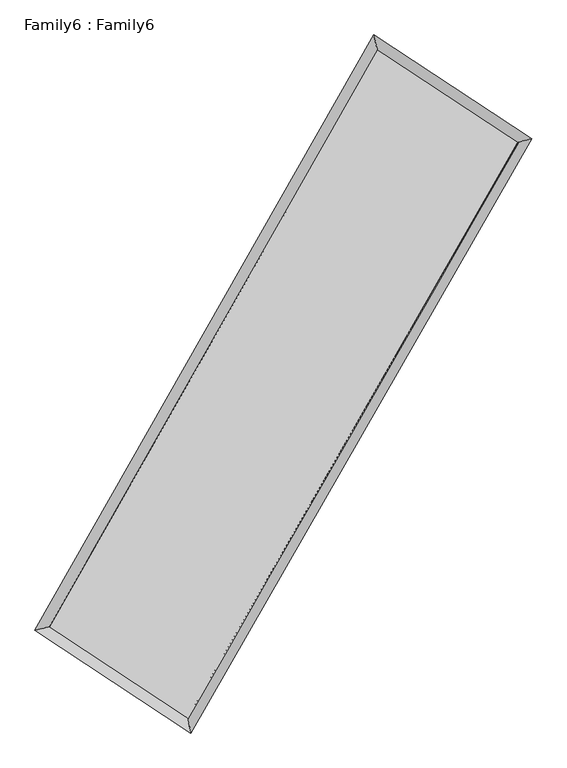
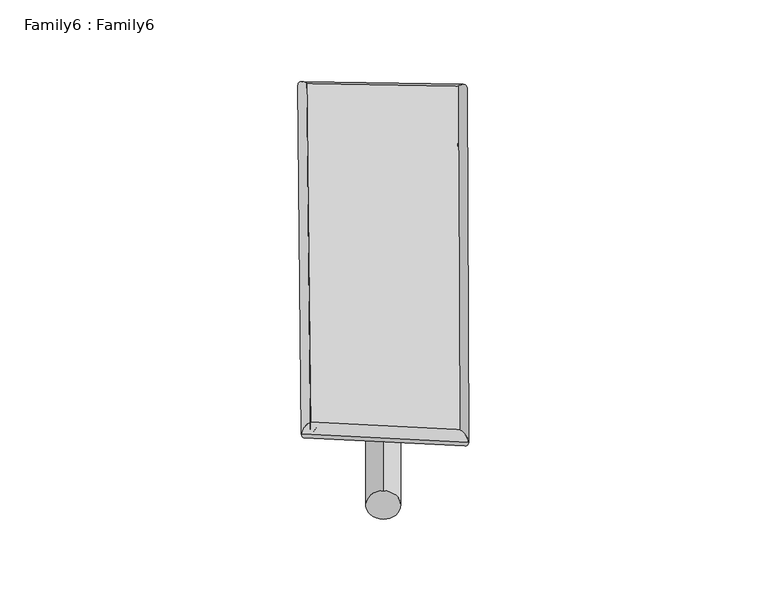
"""IFC4 building model written with IfcOpenShell, lengths in millimetres: plate geometry, Family6 : Family6."""

import ifcopenshell
import ifcopenshell.guid

model = None  # the IFC model being written
_history = None  # IfcOwnerHistory: only IFC2X3 demands one
_inside = {}  # id of a spatial element -> (the spatial element, [elements in it])
_under = {}  # id of a project, library or spatial element -> (it, [spatial elements below it])
_declared = {}  # id of a project -> (the project, [libraries it declares])
_typed = {}  # id of a type object -> (the type object, [elements of that type])
_made_of = {}  # id of a material, layer set ... -> (it, [elements and type objects made of it])


def new_model(schema):
    """Start an empty IFC model of exactly this schema.

    Asked for "IFC4X3", IfcOpenShell would pick the latest addendum, in which some entities
    have other attributes; the version numbers below select the first issue.
    IFC2X3 requires an IfcOwnerHistory on every rooted entity: one is made here for all.
    """
    global model, _history
    if schema == "IFC4X3":
        model = ifcopenshell.file(schema_version=(4, 3, 0, 0))
    else:
        model = ifcopenshell.file(schema=schema)
    _inside.clear()
    _under.clear()
    _declared.clear()
    _typed.clear()
    _made_of.clear()
    _history = None
    if model.schema == "IFC2X3":
        org = make("IfcOrganization", Name="unknown")
        user = make(
            "IfcPersonAndOrganization",
            ThePerson=make("IfcPerson", FamilyName="unknown"),
            TheOrganization=org,
        )
        app = make(
            "IfcApplication",
            ApplicationDeveloper=org,
            Version="unknown",
            ApplicationFullName="unknown",
            ApplicationIdentifier="unknown",
        )
        _history = make(
            "IfcOwnerHistory",
            OwningUser=user,
            OwningApplication=app,
            ChangeAction="ADDED",
            CreationDate=0,
        )
    return model


def make(cls, **values):
    """One entity of the class cls with the attributes given. An attribute that is None is left unset."""
    return model.create_entity(
        cls, **{name: value for name, value in values.items() if value is not None}
    )


def rooted(cls, **values):
    """An entity with a GlobalId (a new one), such as an element, a storey or a relation."""
    return make(cls, GlobalId=ifcopenshell.guid.new(), OwnerHistory=_history, **values)


def si_unit(unit_type, name, prefix=None):
    """IfcSIUnit, for example si_unit("LENGTHUNIT", "METRE", prefix="MILLI")."""
    return make("IfcSIUnit", UnitType=unit_type, Prefix=prefix, Name=name)


def assignment(units):
    """IfcUnitAssignment: the units of a project."""
    return None if units is None else make("IfcUnitAssignment", Units=units)


def point(xyz):
    """IfcCartesianPoint."""
    return None if xyz is None else make("IfcCartesianPoint", Coordinates=xyz)


def direction(xyz):
    """IfcDirection."""
    return None if xyz is None else make("IfcDirection", DirectionRatios=xyz)


def frame(location, z_axis=None, x_axis=None):
    """IfcAxis2Placement3D, a coordinate frame: its origin and axes. An axis left out is left unset."""
    return make(
        "IfcAxis2Placement3D",
        Location=point(location),
        Axis=direction(z_axis),
        RefDirection=direction(x_axis),
    )


def frame_2d(location, x_axis=None):
    """IfcAxis2Placement2D, a coordinate frame in the plane: its origin and x axis."""
    return make(
        "IfcAxis2Placement2D", Location=point(location), RefDirection=direction(x_axis)
    )


def origin():
    """The frame at (0, 0, 0) with its axes left unset."""
    return frame((0.0, 0.0, 0.0))


def origin_2d():
    """The frame at (0, 0) in the plane with its x axis left unset."""
    return frame_2d((0.0, 0.0))


def place(relative_to, where):
    """IfcLocalPlacement: puts the frame where relative to a parent placement (None: the world)."""
    return make(
        "IfcLocalPlacement", PlacementRelTo=relative_to, RelativePlacement=where
    )


def context(
    kind, dimensions, precision=None, world=None, true_north=None, identifier=None
):
    """IfcGeometricRepresentationContext, for example the 3D "Model" context."""
    return make(
        "IfcGeometricRepresentationContext",
        ContextIdentifier=identifier,
        ContextType=kind,
        CoordinateSpaceDimension=dimensions,
        Precision=precision,
        WorldCoordinateSystem=world,
        TrueNorth=true_north,
    )


def project(units=None, contexts=None):
    """IfcProject with its units and contexts."""
    return rooted(
        "IfcProject",
        Name="project",
        RepresentationContexts=contexts,
        UnitsInContext=assignment(units),
    )


def spatial(cls, under=None, at=None, **own):
    """A site, building, storey or space (cls), placed at a placement, below another one or the project."""
    s = rooted(cls, ObjectPlacement=at, **own)
    if under is not None:
        _under.setdefault(under.id(), (under, []))[1].append(s)
    return s


def circle_curve(where, radius):
    """IfcCircle in the frame where."""
    return make("IfcCircle", Position=where, Radius=radius)


def ellipse_curve(where, semi_axis1, semi_axis2):
    """IfcEllipse in the frame where."""
    return make(
        "IfcEllipse", Position=where, SemiAxis1=semi_axis1, SemiAxis2=semi_axis2
    )


def trimmed(basis, trim1, trim2, sense, master):
    """IfcTrimmedCurve: the piece of a basis curve between two trims."""
    return make(
        "IfcTrimmedCurve",
        BasisCurve=basis,
        Trim1=trim1,
        Trim2=trim2,
        SenseAgreement=sense,
        MasterRepresentation=master,
    )


def segment(curve, same_sense, transition):
    """IfcCompositeCurveSegment."""
    return make(
        "IfcCompositeCurveSegment",
        Transition=transition,
        SameSense=same_sense,
        ParentCurve=curve,
    )


def composite_curve(segments, self_intersect=None):
    """IfcCompositeCurve: segments joined end to end."""
    return make("IfcCompositeCurve", Segments=segments, SelfIntersect=self_intersect)


def outline(outer, holes=None, kind="AREA"):
    """IfcArbitraryClosedProfileDef: a profile drawn as a closed curve; with holes, ...WithVoids."""
    if holes is None:
        return make("IfcArbitraryClosedProfileDef", ProfileType=kind, OuterCurve=outer)
    return make(
        "IfcArbitraryProfileDefWithVoids",
        ProfileType=kind,
        OuterCurve=outer,
        InnerCurves=holes,
    )


def extrude(swept, where, along, depth):
    """IfcExtrudedAreaSolid: the profile swept, set in the frame where, extruded along a direction by depth."""
    return make(
        "IfcExtrudedAreaSolid",
        SweptArea=swept,
        Position=where,
        ExtrudedDirection=direction(along),
        Depth=depth,
    )


def shape(context_of_items, identifier, shape_type, items):
    """IfcShapeRepresentation: the items that make up one representation, for example the "Body"."""
    return make(
        "IfcShapeRepresentation",
        ContextOfItems=context_of_items,
        RepresentationIdentifier=identifier,
        RepresentationType=shape_type,
        Items=items,
    )


def source(mapping_origin, context_of_items, identifier, shape_type, items):
    """IfcRepresentationMap: a shape defined once, which mapped items show again and again."""
    return make(
        "IfcRepresentationMap",
        MappingOrigin=mapping_origin,
        MappedRepresentation=shape(context_of_items, identifier, shape_type, items),
    )


def transform(
    local_origin,
    x_axis=None,
    y_axis=None,
    z_axis=None,
    scale=None,
    scale2=None,
    scale3=None,
    uniform=True,
):
    """IfcCartesianTransformationOperator3D, or its non-uniform kind. x_axis, y_axis, z_axis: its Axis1, 2, 3."""
    if uniform:
        return make(
            "IfcCartesianTransformationOperator3D",
            Axis1=direction(x_axis),
            Axis2=direction(y_axis),
            LocalOrigin=point(local_origin),
            Scale=scale,
            Axis3=direction(z_axis),
        )
    return make(
        "IfcCartesianTransformationOperator3DnonUniform",
        Axis1=direction(x_axis),
        Axis2=direction(y_axis),
        LocalOrigin=point(local_origin),
        Scale=scale,
        Axis3=direction(z_axis),
        Scale2=scale2,
        Scale3=scale3,
    )


def mapped(mapping_source, mapping_target):
    """IfcMappedItem: shows the shape of a source again, moved by a transform."""
    return make(
        "IfcMappedItem", MappingSource=mapping_source, MappingTarget=mapping_target
    )


def made_of(thing, what):
    """Note that an element or type object is made of a material, layer set ...; save() writes the relation."""
    if what is not None:
        _made_of.setdefault(what.id(), (what, []))[1].append(thing)
    return thing


def element(
    cls,
    number,
    at=None,
    inside=None,
    cuts=None,
    type_object=None,
    material=None,
    context=None,
    identifier="Body",
    shape_type=None,
    held_by="IfcProductDefinitionShape",
    body=None,
    shapes=None,
    **own,
):
    """One element of the class cls, such as IfcWall. Its Tag is "e" and its number.

    at: its placement. inside: the storey or other place that contains it. cuts: it is an
    opening in that element (IfcRelVoidsElement). A single representation is given by context,
    identifier, shape_type and body (its items); several are given by shapes. held_by: the class
    of the entity that holds the representations. save() writes the other relations.
    """
    e = rooted(cls, Tag="e%d" % number, ObjectPlacement=at, **own)
    if body is not None:
        shapes = [shape(context, identifier, shape_type, body)]
    if shapes is not None:
        e.Representation = make(held_by, Representations=shapes)
    if inside is not None:
        _inside.setdefault(inside.id(), (inside, []))[1].append(e)
    if cuts is not None:
        rooted(
            "IfcRelVoidsElement", RelatingBuildingElement=cuts, RelatedOpeningElement=e
        )
    if type_object is not None:
        _typed.setdefault(type_object.id(), (type_object, []))[1].append(e)
    return made_of(e, material)


def aggregate(whole, parts):
    """IfcRelAggregates: a whole, such as a stair, and the parts it consists of."""
    return rooted("IfcRelAggregates", RelatingObject=whole, RelatedObjects=parts)


def save(model, path):
    """Write the relations noted so far, then the file.

    IfcRelAggregates (storeys below a building ...), IfcRelContainedInSpatialStructure (elements
    in a storey), IfcRelDefinesByType, IfcRelAssociatesMaterial and IfcRelDeclares: one each for
    every whole, place, type object, material and project.
    """
    for whole, parts in _under.values():
        aggregate(whole, parts)
    for where, things in _inside.values():
        rooted(
            "IfcRelContainedInSpatialStructure",
            RelatedElements=things,
            RelatingStructure=where,
        )
    for kind, things in _typed.values():
        rooted("IfcRelDefinesByType", RelatedObjects=things, RelatingType=kind)
    for what, things in _made_of.values():
        rooted("IfcRelAssociatesMaterial", RelatedObjects=things, RelatingMaterial=what)
    for by, libraries in _declared.values():
        rooted("IfcRelDeclares", RelatingContext=by, RelatedDefinitions=libraries)
    model.write(path)


def plane_surface(at):
    """IfcPlane: the flat surface through the origin of the frame at, square to its z axis."""
    return make("IfcPlane", Position=at)


def cylinder_surface(at, radius):
    """IfcCylindricalSurface: all points at the distance radius from the z axis of the frame at."""
    return make("IfcCylindricalSurface", Position=at, Radius=radius)


def spline_surface(u_degree, v_degree, points, u_multiplicities, v_multiplicities, u_knots, v_knots, weights=None):
    """IfcBSplineSurfaceWithKnots; with weights, IfcRationalBSplineSurfaceWithKnots. points: one row for each step in u."""
    own = dict(
        UDegree=u_degree,
        VDegree=v_degree,
        ControlPointsList=[[point(p) for p in row] for row in points],
        SurfaceForm="UNSPECIFIED",
        UClosed=False,
        VClosed=False,
        SelfIntersect=False,
        UMultiplicities=u_multiplicities,
        VMultiplicities=v_multiplicities,
        UKnots=u_knots,
        VKnots=v_knots,
        KnotSpec="UNSPECIFIED",
    )
    if weights is None:
        return make("IfcBSplineSurfaceWithKnots", **own)
    return make("IfcRationalBSplineSurfaceWithKnots", WeightsData=weights, **own)


def advanced_brep(points, edges, surfaces, faces):
    """IfcAdvancedBrep: a solid bounded by faces that lie on surfaces and meet in shared edges.

    An edge is (start, end): straight between two places in points (the first is 0);
    or (start, end, curve); or (start, end, curve, False) where it runs against its curve.
    A face is (place in surfaces, loops), or (place, loops, False) where it looks against
    its surface's normal. A loop lists edges by number (the first is 1), with a minus sign
    where the edge is run from its end to its start. The first loop is the outer one.
    """
    corners = [point(p) for p in points]
    vertices = [make("IfcVertexPoint", VertexGeometry=c) for c in corners]
    made = []
    for start, end, *more in edges:
        made.append(
            make(
                "IfcEdgeCurve",
                EdgeStart=vertices[start],
                EdgeEnd=vertices[end],
                EdgeGeometry=more[0] if more else make("IfcPolyline", Points=[corners[start], corners[end]]),
                SameSense=more[1] if len(more) > 1 else True,
            )
        )
    hull = []
    for where, loops, *sense in faces:
        bounds = []
        for j, loop in enumerate(loops):
            ring = [make("IfcOrientedEdge", EdgeElement=made[abs(k) - 1], Orientation=k > 0) for k in loop]
            bounds.append(
                make(
                    "IfcFaceOuterBound" if j == 0 else "IfcFaceBound",
                    Bound=make("IfcEdgeLoop", EdgeList=ring),
                    Orientation=True,
                )
            )
        hull.append(make("IfcAdvancedFace", Bounds=bounds, FaceSurface=surfaces[where], SameSense=sense[0] if sense else True))
    return make("IfcAdvancedBrep", Outer=make("IfcClosedShell", CfsFaces=hull))


def family6_family6_9915d7ce(model_context):
    return source(origin(), model_context, "Body", "SolidModel", [
        extrude(outline(composite_curve([segment(trimmed(circle_curve(origin_2d(), 76.2), [point((-75.4341514, -10.7763073))], [point((75.4341514, 10.7763073))], False, "CARTESIAN"), True, "CONTINUOUS"), segment(trimmed(circle_curve(origin_2d(), 76.2), [point((75.4341514, 10.7763073))], [point((-75.4341514, -10.7763073))], False, "CARTESIAN"), True, "CONTINUOUS")], self_intersect=False)), frame((9144.0, 9144.0, 0.0), z_axis=(0.6696577028486579, 0.6873091894132612, 0.28136211394490285), x_axis=(-0.6800894248930358, 0.7197332741148567, -0.1395076638775396)), (0.0, 0.0, 1.0), 5504.7394929),
        extrude(outline(composite_curve([segment(trimmed(circle_curve(origin_2d(), 76.2), [point((-53.8815368, 53.8815367))], [point((53.8815368, -53.8815367))], False, "CARTESIAN"), True, "CONTINUOUS"), segment(trimmed(circle_curve(origin_2d(), 76.2), [point((53.8815368, -53.8815367))], [point((-53.8815368, 53.8815367))], False, "CARTESIAN"), True, "CONTINUOUS")], self_intersect=False)), frame((9144.0, 9144.0, 0.0), z_axis=(-0.6674242059424446, -0.6893763254173614, 0.28161180954667664), x_axis=(0.6483642423911972, -0.35193691925575277, 0.675103113645063)), (0.0, 0.0, 1.0), 5500.2538188),
        extrude(outline(composite_curve([segment(trimmed(circle_curve(origin_2d(), 76.2), [point((-53.8815367, -53.8815367))], [point((53.8815367, 53.8815367))], False, "CARTESIAN"), True, "CONTINUOUS"), segment(trimmed(circle_curve(origin_2d(), 76.2), [point((53.8815367, 53.8815367))], [point((-53.8815367, -53.8815367))], False, "CARTESIAN"), True, "CONTINUOUS")], self_intersect=False)), frame((9144.0, 9144.0, 0.0), z_axis=(0.2611520936109937, 0.9282041922404578, 0.26502181327172697), x_axis=(-0.8412960852325152, 0.35347643697874326, -0.408993038416618)), (0.0, 0.0, 1.0), 5645.7171138),
        extrude(outline(composite_curve([segment(trimmed(circle_curve(origin_2d(), 76.2), [point((-75.4341514, 10.7763073))], [point((75.4341514, -10.7763073))], False, "CARTESIAN"), True, "CONTINUOUS"), segment(trimmed(circle_curve(origin_2d(), 76.2), [point((75.4341514, -10.7763073))], [point((-75.4341514, 10.7763073))], False, "CARTESIAN"), True, "CONTINUOUS")], self_intersect=False)), frame((9144.0, 9144.0, 0.0), z_axis=(-0.263787122565673, -0.9274236701672012, 0.26514465859624836), x_axis=(0.8826375205383395, -0.12120757408064489, 0.4541582668227204)), (0.0, 0.0, 1.0), 5641.9994964),
        advanced_brep(
        [(5270.0730825, 5303.7819276, 1544.9335577), (5269.9963879, 5303.6657241, 1554.0817416), (5675.9218425, 5400.7285394, 1552.939304), (10670.2820916, 14167.7309877, 1501.7879155), (10566.4995968, 14601.0255988, 1490.6884579), (5675.9985371, 5400.8447429, 1543.7911202), (12626.7833377, 12879.035373, 1548.3028682), (13033.7990696, 12975.8807046, 1549.3474127), (7604.2765018, 4128.0163186, 1496.9777763), (7707.1498728, 3694.9359213, 1494.9142843)],
        [
            (0, 1, ellipse_curve(frame((5472.9974625, 5352.2552335, 1548.9364309), z_axis=(-0.23251861567669424, 0.9725362958459463, 0.010404163879896617), x_axis=(-0.9723771989044119, -0.23267875868543808, 0.018525072399683543)), 208.8020182, 152.4)),
            (1, 2, ellipse_curve(frame((5472.9974625, 5352.2552335, 1548.9364309), z_axis=(-0.23251861567669424, 0.9725362958459463, 0.010404163879896617), x_axis=(-0.9723771989044119, -0.23267875868543808, 0.018525072399683543)), 208.8020182, 152.4)),
            (2, 3),
            (3, 4, ellipse_curve(frame((10618.3908442, 14384.3782932, 1496.2381867), z_axis=(-0.9723737109025351, -0.2331792728345242, -0.010807084065347458), x_axis=(0.23297939658795697, -0.9723317088766203, 0.0170777246313022)), 222.8520142, 152.4)),
            (4, 0),
            (2, 5, ellipse_curve(frame((5472.9974625, 5352.2552335, 1548.9364309), z_axis=(-0.23251861567669424, 0.9725362958459463, 0.010404163879896617), x_axis=(-0.9723771989044119, -0.23267875868543808, 0.018525072399683543)), 208.8020182, 152.4)),
            (5, 0, ellipse_curve(frame((5472.9974625, 5352.2552335, 1548.9364309), z_axis=(-0.23251861567669424, 0.9725362958459463, 0.010404163879896617), x_axis=(-0.9723771989044119, -0.23267875868543808, 0.018525072399683543)), 208.8020182, 152.4)),
            (4, 3, ellipse_curve(frame((10618.3908442, 14384.3782932, 1496.2381867), z_axis=(-0.9723737109025351, -0.2331792728345242, -0.010807084065347458), x_axis=(0.23297939658795697, -0.9723317088766203, 0.0170777246313022)), 222.8520142, 152.4)),
            (3, 6),
            (6, 7, ellipse_curve(frame((12830.2912036, 12927.4580388, 1548.8251404), z_axis=(-0.23144112395133207, 0.9727961300565681, -0.010133878384355696), x_axis=(-0.9726422478907316, -0.23159410432217561, -0.01819968299927351)), 209.2128704, 152.4)),
            (7, 4),
            (7, 6, ellipse_curve(frame((12830.2912036, 12927.4580388, 1548.8251404), z_axis=(-0.23144112395133207, 0.9727961300565681, -0.010133878384355696), x_axis=(-0.9726422478907316, -0.23159410432217561, -0.01819968299927351)), 209.2128704, 152.4)),
            (6, 8),
            (8, 9, ellipse_curve(frame((7655.7131873, 3911.47612, 1495.9460303), z_axis=(0.9728564986650965, 0.23114389076619135, -0.01107857240605188), x_axis=(-0.23093572461841164, 0.9728136582253623, 0.017386128526991403)), 222.5883708, 152.4)),
            (9, 7),
            (9, 8, ellipse_curve(frame((7655.7131873, 3911.47612, 1495.9460303), z_axis=(0.9728564986650965, 0.23114389076619135, -0.01107857240605188), x_axis=(-0.23093572461841164, 0.9728136582253623, 0.017386128526991403)), 222.5883708, 152.4)),
            (8, 5),
            (1, 9),
        ],
        [
            cylinder_surface(frame((5472.9974625, 5352.2552335, 1548.9364309), z_axis=(-0.49498488271363045, -0.8688867967333531, 0.0050695510083620405), x_axis=(-0.8685579616366843, 0.4946166402877643, -0.031007199615129426)), 152.4),
            cylinder_surface(frame((10618.3908442, 14384.3782932, 1496.2381867), z_axis=(-0.8349537678827507, 0.5499619595195296, -0.01985065691198564), x_axis=(0.5502591186198721, 0.8348548957547387, -0.015238287634311433)), 152.4),
            cylinder_surface(frame((12830.2912036, 12927.4580388, 1548.8251404), z_axis=(0.49776966224175084, 0.8672943494894292, 0.0050867175507934344), x_axis=(0.8673082062739519, -0.49776966224175073, -0.001355979938497616)), 152.4),
            cylinder_surface(frame((7655.7131873, 3911.47612, 1495.9460303), z_axis=(0.8344053282943098, -0.550778901510784, -0.02025709171228201), x_axis=(-0.5505815574489621, -0.8346503400335663, 0.014790486095041864)), 152.4),
        ],
        [
            (0, [[1, 2, 3, 4, 5]]),
            (0, [[6, 7, -5, 8, -3]]),
            (1, [[-4, 9, 10, 11]]),
            (1, [[-8, -11, 12, -9]]),
            (2, [[-10, 13, 14, 15]]),
            (2, [[-12, -15, 16, -13]]),
            (3, [[-14, 17, -6, -2, 18]]),
            (3, [[-16, -18, -1, -7, -17]]),
        ],
    ),
        extrude(outline(composite_curve([segment(trimmed(circle_curve(origin_2d(), 304.8), [point((-1e-07, 304.8))], [point((0.0, -304.8))], False, "CARTESIAN"), True, "CONTINUOUS"), segment(trimmed(circle_curve(origin_2d(), 304.8), [point((0.0, -304.8))], [point((-1e-07, 304.8))], False, "CARTESIAN"), True, "CONTINUOUS")], self_intersect=False)), frame((11754.9138724, 13647.4769908, -0.0126919), z_axis=(-0.5015595616367611, -0.8651231161660147, 2.43811969180393e-06), x_axis=(-0.8651231161692018, 0.5015595616367611, -6.556469292777169e-07)), (0.0, 0.0, 1.0), 10411.1817304),
        advanced_brep(
        [(5472.9974625, 5352.2552335, 1548.9364309), (7655.7131873, 3911.47612, 1495.9460303), (7655.7056827, 3911.4787726, 1648.3460301), (5472.9899578, 5352.2578861, 1701.3364307), (12830.2912036, 12927.4580388, 1548.8251404), (12830.283699, 12927.4606914, 1701.2251402), (10618.3908442, 14384.3782932, 1496.2381867), (10618.3833396, 14384.3809458, 1648.6381865)],
        [
            (0, 1),
            (1, 2),
            (2, 3),
            (3, 0),
            (1, 4),
            (4, 5),
            (5, 2),
            (4, 6),
            (6, 7),
            (7, 5),
            (6, 0),
            (3, 7),
        ],
        [
            plane_surface(frame((6564.3553249, 4631.8656768, 1522.4412306), z_axis=(-0.5508921553395265, -0.834576439295152, -1.2601466974591913e-05), x_axis=(0.8344053282943097, -0.5507789015107839, -0.020257091712282016))),
            plane_surface(frame((10243.0021955, 8419.4670794, 1522.3855854), z_axis=(0.8673054389712037, -0.4977763281754182, 5.1372816381383985e-05), x_axis=(0.49776966224175057, 0.8672943494894292, 0.005086717550793423))),
            plane_surface(frame((11724.3410239, 13655.918166, 1522.5316636), z_axis=(0.5500701392581171, 0.8351184597043788, 1.2551554256726855e-05), x_axis=(-0.8349537678827506, 0.5499619595195295, -0.01985065691198564))),
            plane_surface(frame((8045.6941534, 9868.3167634, 1522.5873088), z_axis=(-0.868898090137796, 0.49499101639590093, -5.140276387221188e-05), x_axis=(-0.4949848827136305, -0.8688867967333531, 0.005069551008362036))),
            spline_surface(1, 1, [[(7655.7056827, 3911.4787726, 1648.3460301), (5472.9899578, 5352.2578861, 1701.3364307)], [(12830.283699, 12927.4606914, 1701.2251402), (10618.3833396, 14384.3809458, 1648.6381865)]], [2, 2], [2, 2], [0.0, 1.0], [0.0, 1.0]),
            spline_surface(1, 1, [[(10618.3908442, 14384.3782932, 1496.2381867), (5472.9974625, 5352.2552335, 1548.9364309)], [(12830.2912036, 12927.4580388, 1548.8251404), (7655.7131873, 3911.47612, 1495.9460303)]], [2, 2], [2, 2], [0.0, 1.0], [0.0, 1.0]),
        ],
        [
            (0, [[1, 2, 3, 4]]),
            (1, [[5, 6, 7, -2]]),
            (2, [[8, 9, 10, -6]]),
            (3, [[11, -4, 12, -9]]),
            (4, [[-3, -7, -10, -12]]),
            (5, [[-11, -8, -5, -1]]),
        ],
    ),
    ])


if __name__ == "__main__":
    model = new_model("IFC4")
    model_context = context("Model", 3, world=origin())
    ifc_project = project(units=[si_unit("LENGTHUNIT", "METRE", prefix="MILLI")], contexts=[model_context])
    site = spatial("IfcSite", under=ifc_project)
    building = spatial("IfcBuilding", under=site)
    placement = place(None, origin())
    family6_family6_shape = family6_family6_9915d7ce(model_context)
    element("IfcPlate", 1, ObjectType="Family6 : Family6", at=placement, inside=building, context=model_context, shape_type="MappedRepresentation", body=[
        mapped(family6_family6_shape, transform((0.0, 0.0, 0.0), x_axis=(1.0, 0.0, 0.0), y_axis=(0.0, 1.0, 0.0), z_axis=(0.0, 0.0, 1.0))),
    ])
    save(model, "model.ifc")
